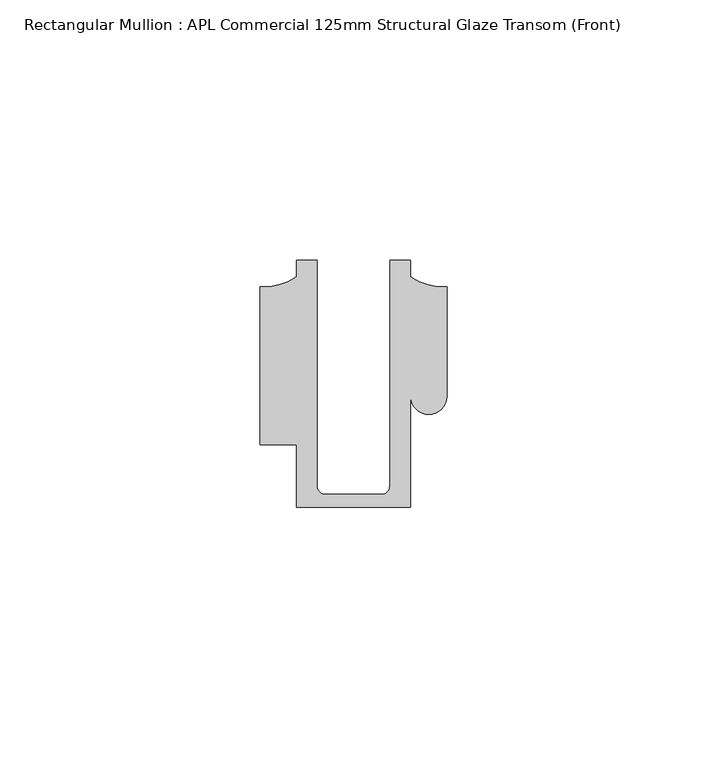
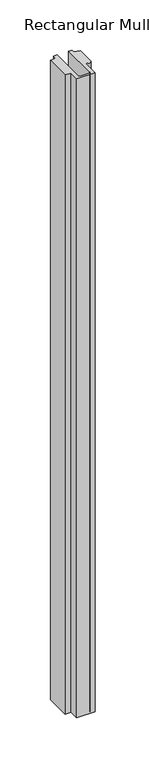
"""IFC4 building model written with IfcOpenShell, lengths in millimetres: member geometry, Rectangular Mullion : APL Commercial 125mm Structural Glaze Transom (Front)."""

import ifcopenshell
import ifcopenshell.guid

model = None  # the IFC model being written
_history = None  # IfcOwnerHistory: only IFC2X3 demands one
_inside = {}  # id of a spatial element -> (the spatial element, [elements in it])
_under = {}  # id of a project, library or spatial element -> (it, [spatial elements below it])
_declared = {}  # id of a project -> (the project, [libraries it declares])
_typed = {}  # id of a type object -> (the type object, [elements of that type])
_made_of = {}  # id of a material, layer set ... -> (it, [elements and type objects made of it])


def new_model(schema):
    """Start an empty IFC model of exactly this schema.

    Asked for "IFC4X3", IfcOpenShell would pick the latest addendum, in which some entities
    have other attributes; the version numbers below select the first issue.
    IFC2X3 requires an IfcOwnerHistory on every rooted entity: one is made here for all.
    """
    global model, _history
    if schema == "IFC4X3":
        model = ifcopenshell.file(schema_version=(4, 3, 0, 0))
    else:
        model = ifcopenshell.file(schema=schema)
    _inside.clear()
    _under.clear()
    _declared.clear()
    _typed.clear()
    _made_of.clear()
    _history = None
    if model.schema == "IFC2X3":
        org = make("IfcOrganization", Name="unknown")
        user = make(
            "IfcPersonAndOrganization",
            ThePerson=make("IfcPerson", FamilyName="unknown"),
            TheOrganization=org,
        )
        app = make(
            "IfcApplication",
            ApplicationDeveloper=org,
            Version="unknown",
            ApplicationFullName="unknown",
            ApplicationIdentifier="unknown",
        )
        _history = make(
            "IfcOwnerHistory",
            OwningUser=user,
            OwningApplication=app,
            ChangeAction="ADDED",
            CreationDate=0,
        )
    return model


def make(cls, **values):
    """One entity of the class cls with the attributes given. An attribute that is None is left unset."""
    return model.create_entity(
        cls, **{name: value for name, value in values.items() if value is not None}
    )


def rooted(cls, **values):
    """An entity with a GlobalId (a new one), such as an element, a storey or a relation."""
    return make(cls, GlobalId=ifcopenshell.guid.new(), OwnerHistory=_history, **values)


def si_unit(unit_type, name, prefix=None):
    """IfcSIUnit, for example si_unit("LENGTHUNIT", "METRE", prefix="MILLI")."""
    return make("IfcSIUnit", UnitType=unit_type, Prefix=prefix, Name=name)


def assignment(units):
    """IfcUnitAssignment: the units of a project."""
    return None if units is None else make("IfcUnitAssignment", Units=units)


def point(xyz):
    """IfcCartesianPoint."""
    return None if xyz is None else make("IfcCartesianPoint", Coordinates=xyz)


def direction(xyz):
    """IfcDirection."""
    return None if xyz is None else make("IfcDirection", DirectionRatios=xyz)


def frame(location, z_axis=None, x_axis=None):
    """IfcAxis2Placement3D, a coordinate frame: its origin and axes. An axis left out is left unset."""
    return make(
        "IfcAxis2Placement3D",
        Location=point(location),
        Axis=direction(z_axis),
        RefDirection=direction(x_axis),
    )


def origin():
    """The frame at (0, 0, 0) with its axes left unset."""
    return frame((0.0, 0.0, 0.0))


def place(relative_to, where):
    """IfcLocalPlacement: puts the frame where relative to a parent placement (None: the world)."""
    return make(
        "IfcLocalPlacement", PlacementRelTo=relative_to, RelativePlacement=where
    )


def context(
    kind, dimensions, precision=None, world=None, true_north=None, identifier=None
):
    """IfcGeometricRepresentationContext, for example the 3D "Model" context."""
    return make(
        "IfcGeometricRepresentationContext",
        ContextIdentifier=identifier,
        ContextType=kind,
        CoordinateSpaceDimension=dimensions,
        Precision=precision,
        WorldCoordinateSystem=world,
        TrueNorth=true_north,
    )


def project(units=None, contexts=None):
    """IfcProject with its units and contexts."""
    return rooted(
        "IfcProject",
        Name="project",
        RepresentationContexts=contexts,
        UnitsInContext=assignment(units),
    )


def spatial(cls, under=None, at=None, **own):
    """A site, building, storey or space (cls), placed at a placement, below another one or the project."""
    s = rooted(cls, ObjectPlacement=at, **own)
    if under is not None:
        _under.setdefault(under.id(), (under, []))[1].append(s)
    return s


def polyline(points):
    """IfcPolyline through the points."""
    return make("IfcPolyline", Points=[point(p) for p in points])


def circle_curve(where, radius):
    """IfcCircle in the frame where."""
    return make("IfcCircle", Position=where, Radius=radius)


def shape(context_of_items, identifier, shape_type, items):
    """IfcShapeRepresentation: the items that make up one representation, for example the "Body"."""
    return make(
        "IfcShapeRepresentation",
        ContextOfItems=context_of_items,
        RepresentationIdentifier=identifier,
        RepresentationType=shape_type,
        Items=items,
    )


def source(mapping_origin, context_of_items, identifier, shape_type, items):
    """IfcRepresentationMap: a shape defined once, which mapped items show again and again."""
    return make(
        "IfcRepresentationMap",
        MappingOrigin=mapping_origin,
        MappedRepresentation=shape(context_of_items, identifier, shape_type, items),
    )


def transform(
    local_origin,
    x_axis=None,
    y_axis=None,
    z_axis=None,
    scale=None,
    scale2=None,
    scale3=None,
    uniform=True,
):
    """IfcCartesianTransformationOperator3D, or its non-uniform kind. x_axis, y_axis, z_axis: its Axis1, 2, 3."""
    if uniform:
        return make(
            "IfcCartesianTransformationOperator3D",
            Axis1=direction(x_axis),
            Axis2=direction(y_axis),
            LocalOrigin=point(local_origin),
            Scale=scale,
            Axis3=direction(z_axis),
        )
    return make(
        "IfcCartesianTransformationOperator3DnonUniform",
        Axis1=direction(x_axis),
        Axis2=direction(y_axis),
        LocalOrigin=point(local_origin),
        Scale=scale,
        Axis3=direction(z_axis),
        Scale2=scale2,
        Scale3=scale3,
    )


def mapped(mapping_source, mapping_target):
    """IfcMappedItem: shows the shape of a source again, moved by a transform."""
    return make(
        "IfcMappedItem", MappingSource=mapping_source, MappingTarget=mapping_target
    )


def made_of(thing, what):
    """Note that an element or type object is made of a material, layer set ...; save() writes the relation."""
    if what is not None:
        _made_of.setdefault(what.id(), (what, []))[1].append(thing)
    return thing


def element(
    cls,
    number,
    at=None,
    inside=None,
    cuts=None,
    type_object=None,
    material=None,
    context=None,
    identifier="Body",
    shape_type=None,
    held_by="IfcProductDefinitionShape",
    body=None,
    shapes=None,
    **own,
):
    """One element of the class cls, such as IfcWall. Its Tag is "e" and its number.

    at: its placement. inside: the storey or other place that contains it. cuts: it is an
    opening in that element (IfcRelVoidsElement). A single representation is given by context,
    identifier, shape_type and body (its items); several are given by shapes. held_by: the class
    of the entity that holds the representations. save() writes the other relations.
    """
    e = rooted(cls, Tag="e%d" % number, ObjectPlacement=at, **own)
    if body is not None:
        shapes = [shape(context, identifier, shape_type, body)]
    if shapes is not None:
        e.Representation = make(held_by, Representations=shapes)
    if inside is not None:
        _inside.setdefault(inside.id(), (inside, []))[1].append(e)
    if cuts is not None:
        rooted(
            "IfcRelVoidsElement", RelatingBuildingElement=cuts, RelatedOpeningElement=e
        )
    if type_object is not None:
        _typed.setdefault(type_object.id(), (type_object, []))[1].append(e)
    return made_of(e, material)


def aggregate(whole, parts):
    """IfcRelAggregates: a whole, such as a stair, and the parts it consists of."""
    return rooted("IfcRelAggregates", RelatingObject=whole, RelatedObjects=parts)


def save(model, path):
    """Write the relations noted so far, then the file.

    IfcRelAggregates (storeys below a building ...), IfcRelContainedInSpatialStructure (elements
    in a storey), IfcRelDefinesByType, IfcRelAssociatesMaterial and IfcRelDeclares: one each for
    every whole, place, type object, material and project.
    """
    for whole, parts in _under.values():
        aggregate(whole, parts)
    for where, things in _inside.values():
        rooted(
            "IfcRelContainedInSpatialStructure",
            RelatedElements=things,
            RelatingStructure=where,
        )
    for kind, things in _typed.values():
        rooted("IfcRelDefinesByType", RelatedObjects=things, RelatingType=kind)
    for what, things in _made_of.values():
        rooted("IfcRelAssociatesMaterial", RelatedObjects=things, RelatingMaterial=what)
    for by, libraries in _declared.values():
        rooted("IfcRelDeclares", RelatingContext=by, RelatedDefinitions=libraries)
    model.write(path)


def plane_surface(at):
    """IfcPlane: the flat surface through the origin of the frame at, square to its z axis."""
    return make("IfcPlane", Position=at)


def cylinder_surface(at, radius):
    """IfcCylindricalSurface: all points at the distance radius from the z axis of the frame at."""
    return make("IfcCylindricalSurface", Position=at, Radius=radius)


def revolved_surface(curve, axis_point, axis_direction):
    """IfcSurfaceOfRevolution: the curve turned about the line through axis_point along axis_direction."""
    return make(
        "IfcSurfaceOfRevolution",
        SweptCurve=make("IfcArbitraryOpenProfileDef", ProfileType="CURVE", Curve=curve),
        AxisPosition=make("IfcAxis1Placement", Location=point(axis_point), Axis=direction(axis_direction)),
    )


def advanced_brep(points, edges, surfaces, faces):
    """IfcAdvancedBrep: a solid bounded by faces that lie on surfaces and meet in shared edges.

    An edge is (start, end): straight between two places in points (the first is 0);
    or (start, end, curve); or (start, end, curve, False) where it runs against its curve.
    A face is (place in surfaces, loops), or (place, loops, False) where it looks against
    its surface's normal. A loop lists edges by number (the first is 1), with a minus sign
    where the edge is run from its end to its start. The first loop is the outer one.
    """
    corners = [point(p) for p in points]
    vertices = [make("IfcVertexPoint", VertexGeometry=c) for c in corners]
    made = []
    for start, end, *more in edges:
        made.append(
            make(
                "IfcEdgeCurve",
                EdgeStart=vertices[start],
                EdgeEnd=vertices[end],
                EdgeGeometry=more[0] if more else make("IfcPolyline", Points=[corners[start], corners[end]]),
                SameSense=more[1] if len(more) > 1 else True,
            )
        )
    hull = []
    for where, loops, *sense in faces:
        bounds = []
        for j, loop in enumerate(loops):
            ring = [make("IfcOrientedEdge", EdgeElement=made[abs(k) - 1], Orientation=k > 0) for k in loop]
            bounds.append(
                make(
                    "IfcFaceOuterBound" if j == 0 else "IfcFaceBound",
                    Bound=make("IfcEdgeLoop", EdgeList=ring),
                    Orientation=True,
                )
            )
        hull.append(make("IfcAdvancedFace", Bounds=bounds, FaceSurface=surfaces[where], SameSense=sense[0] if sense else True))
    return make("IfcAdvancedBrep", Outer=make("IfcClosedShell", CfsFaces=hull))


def rectangular_mullion_apl_commercial_125mm_structural_glaze_b7fd746c(model_context):
    return source(origin(), model_context, "Body", "AdvancedBrep", [
        advanced_brep(
        [(-11.0000151, -27.0, 0.0), (11.001071, -27.0, 0.0), (11.001071, -5.5848769, 0.0), (17.9999091, -5.6750512, 0.0), (17.9999542, 15.3797475, 0.0), (11.0000151, 17.3125212, 0.0), (11.0000151, 20.5, 0.0), (6.9999849, 20.5, 0.0), (6.9999849, -22.9973451, 0.0), (5.4999872, -24.5, 0.0), (-5.4999873, -24.5, 0.0), (-6.9999853, -22.9976091, 0.0), (-6.9999853, 20.5, 0.0), (-10.9999994, 20.5, 0.0), (-10.9999994, 17.3125325, 0.0), (-17.9999542, 15.3797475, 0.0), (-17.9999542, -15.0006281, 0.0), (-11.0000151, -15.0006281, 0.0), (-11.0000151, -27.0, -811.086125), (-11.0000151, -15.0006281, -811.086125), (-17.9999542, -15.0006281, -811.086125), (-17.9999542, 15.3797475, -811.086125), (-10.9999994, 17.3125325, -811.086125), (-10.9999994, 20.5, -811.086125), (-6.9999853, 20.5, -811.086125), (-6.9999853, -22.9976091, -811.086125), (-5.4999873, -24.5, -811.086125), (5.4999872, -24.5, -811.086125), (6.9999849, -22.9973451, -811.086125), (6.9999849, 20.5, -811.086125), (11.0000151, 20.5, -811.086125), (11.0000151, 17.3125212, -811.086125), (17.9999542, 15.3797475, -811.086125), (17.9999542, -5.684606, -811.086125), (11.001071, -5.5848769, -811.086125), (11.001071, -27.0, -811.086125)],
        [
            (0, 1),
            (1, 2),
            (2, 3, circle_curve(frame((14.4999091, -5.6750512, 0.0), z_axis=(0.0, 0.0, 1.0), x_axis=(-0.9999826028573957, 0.005898642432633649, 0.0)), 3.5)),
            (3, 4),
            (4, 5, circle_curve(frame((17.109817, 25.7981812, 0.0), z_axis=(0.0, 0.0, -1.0), x_axis=(0.0, -1.0, 0.0)), 10.4563907)),
            (5, 6),
            (6, 7),
            (7, 8),
            (8, 9, circle_curve(frame((5.4999872, -23.0, 0.0), z_axis=(0.0, 0.0, -1.0), x_axis=(0.9999999999999986, 5.463622857820516e-08, 0.0)), 1.5)),
            (9, 10),
            (10, 11, circle_curve(frame((-5.4999873, -23.0, 0.0), z_axis=(0.0, 0.0, -1.0), x_axis=(2.7320010112268853e-08, -0.9999999999999997, 0.0)), 1.5)),
            (11, 12),
            (12, 13),
            (13, 14),
            (14, 15, circle_curve(frame((-17.109817, 25.7981812, 0.0), z_axis=(0.0, 0.0, -1.0), x_axis=(0.0, -1.0, 0.0)), 10.4563907)),
            (15, 16),
            (16, 17),
            (17, 0),
            (18, 19),
            (19, 20),
            (20, 21),
            (21, 22, circle_curve(frame((-17.109817, 25.7981812, -811.086125), z_axis=(0.0, 0.0, 1.0), x_axis=(0.0, -1.0, 0.0)), 10.4563907)),
            (22, 23),
            (23, 24),
            (24, 25),
            (25, 26, circle_curve(frame((-5.4999873, -23.0, -811.086125), z_axis=(0.0, 0.0, 1.0), x_axis=(2.7320010112268853e-08, -0.9999999999999997, 0.0)), 1.5)),
            (26, 27),
            (27, 28, circle_curve(frame((5.4999872, -23.0, -811.086125), z_axis=(0.0, 0.0, 1.0), x_axis=(0.9999999999999986, 5.463622857820516e-08, 0.0)), 1.5)),
            (28, 29),
            (29, 30),
            (30, 31),
            (31, 32, circle_curve(frame((17.109817, 25.7981812, -811.086125), z_axis=(0.0, 0.0, 1.0), x_axis=(0.0, -1.0, 0.0)), 10.4563907)),
            (32, 33),
            (33, 34, circle_curve(frame((14.4999091, -5.6750512, -811.086125), z_axis=(0.0, 0.0, -1.0), x_axis=(-0.9999826028573957, 0.005898642432633649, 0.0)), 3.5)),
            (34, 35),
            (35, 18),
            (0, 18),
            (35, 1),
            (34, 2),
            (33, 3),
            (32, 4),
            (31, 5),
            (30, 6),
            (29, 7),
            (28, 8),
            (27, 9),
            (26, 10),
            (25, 11),
            (24, 12),
            (23, 13),
            (22, 14),
            (21, 15),
            (20, 16),
            (19, 17),
        ],
        [
            plane_surface(frame((0.0, -29.1551636, 0.0), z_axis=(0.0, 0.0, 1.0), x_axis=(-1.0, 0.0, 0.0))),
            plane_surface(frame((0.0, -29.1551636, -811.086125), z_axis=(0.0, 0.0, -1.0), x_axis=(-1.0, 0.0, 0.0))),
            plane_surface(frame((-11.0000151, -27.0, 0.0), z_axis=(0.0, -1.0, 0.0), x_axis=(0.0, 0.0, -1.0))),
            plane_surface(frame((11.001071, -27.0, 0.0), z_axis=(1.0, 0.0, 0.0), x_axis=(0.0, 0.0, -1.0))),
            cylinder_surface(frame((14.4999091, -5.6750512, 0.0), z_axis=(0.0, 0.0, 1.0), x_axis=(-0.9999826028573957, 0.005898642432633649, 0.0)), 3.5),
            plane_surface(frame((17.9999542, -5.684606, 0.0), z_axis=(1.0, 0.0, 0.0), x_axis=(0.0, 0.0, -1.0))),
            revolved_surface(polyline([(17.109817, 15.341790499999998, -811.086125), (17.109817, 15.341790499999998, 0.0)]), (17.109817, 25.7981812, 0.0), (0.0, 0.0, -1.0)),
            plane_surface(frame((11.0000151, 17.3125212, 0.0), z_axis=(1.0, 0.0, 0.0), x_axis=(0.0, 0.0, -1.0))),
            plane_surface(frame((11.0000151, 20.5, 0.0), z_axis=(0.0, 1.0, 0.0), x_axis=(0.0, 0.0, -1.0))),
            plane_surface(frame((6.9999849, 20.5, 0.0), z_axis=(-1.0, 0.0, 0.0), x_axis=(0.0, 0.0, -1.0))),
            revolved_surface(polyline([(6.999987199999998, -22.999999918045656, -811.086125), (6.999987199999998, -22.999999918045656, 0.0)]), (5.4999872, -23.0, 0.0), (0.0, 0.0, -1.0)),
            plane_surface(frame((5.4999872, -24.5, 0.0), z_axis=(0.0, 1.0, 0.0), x_axis=(0.0, 0.0, -1.0))),
            revolved_surface(polyline([(-5.499987259019985, -24.5, -811.086125), (-5.499987259019985, -24.5, 0.0)]), (-5.4999873, -23.0, 0.0), (0.0, 0.0, -1.0)),
            plane_surface(frame((-6.9999853, -22.9976091, 0.0), z_axis=(1.0, 0.0, 0.0), x_axis=(0.0, 0.0, -1.0))),
            plane_surface(frame((-6.9999853, 20.5, 0.0), z_axis=(0.0, 1.0, 0.0), x_axis=(0.0, 0.0, -1.0))),
            plane_surface(frame((-10.9999994, 20.5, 0.0), z_axis=(-1.0, 0.0, 0.0), x_axis=(0.0, 0.0, -1.0))),
            revolved_surface(polyline([(-17.109817, 15.341790499999998, -811.086125), (-17.109817, 15.341790499999998, 0.0)]), (-17.109817, 25.7981812, 0.0), (0.0, 0.0, -1.0)),
            plane_surface(frame((-17.9999542, 15.3797475, 0.0), z_axis=(-1.0, 0.0, 0.0), x_axis=(0.0, 0.0, -1.0))),
            plane_surface(frame((-17.9999542, -15.0006281, 0.0), z_axis=(0.0, -1.0, 0.0), x_axis=(0.0, 0.0, -1.0))),
            plane_surface(frame((-11.0000151, -15.0006281, 0.0), z_axis=(-1.0, 0.0, 0.0), x_axis=(0.0, 0.0, -1.0))),
        ],
        [
            (0, [[1, 2, 3, 4, 5, 6, 7, 8, 9, 10, 11, 12, 13, 14, 15, 16, 17, 18]]),
            (1, [[19, 20, 21, 22, 23, 24, 25, 26, 27, 28, 29, 30, 31, 32, 33, 34, 35, 36]]),
            (2, [[-1, 37, -36, 38]]),
            (3, [[-2, -38, -35, 39]]),
            (4, [[-3, -39, -34, 40]]),
            (5, [[-4, -40, -33, 41]]),
            (6, [[-5, -41, -32, 42]]),
            (7, [[-6, -42, -31, 43]]),
            (8, [[-7, -43, -30, 44]]),
            (9, [[-8, -44, -29, 45]]),
            (10, [[-9, -45, -28, 46]]),
            (11, [[-10, -46, -27, 47]]),
            (12, [[-11, -47, -26, 48]]),
            (13, [[-12, -48, -25, 49]]),
            (14, [[-13, -49, -24, 50]]),
            (15, [[-14, -50, -23, 51]]),
            (16, [[-15, -51, -22, 52]]),
            (17, [[-16, -52, -21, 53]]),
            (18, [[-17, -53, -20, 54]]),
            (19, [[-18, -54, -19, -37]]),
        ],
    ),
    ])


if __name__ == "__main__":
    model = new_model("IFC4")
    model_context = context("Model", 3, world=origin())
    ifc_project = project(units=[si_unit("LENGTHUNIT", "METRE", prefix="MILLI")], contexts=[model_context])
    site = spatial("IfcSite", under=ifc_project)
    building = spatial("IfcBuilding", under=site)
    placement = place(None, origin())
    rectangular_mullion_apl_commercial_125mm_structural_glaze_shape = rectangular_mullion_apl_commercial_125mm_structural_glaze_b7fd746c(model_context)
    element("IfcMember", 1, ObjectType="Rectangular Mullion : APL Commercial 125mm Structural Glaze Transom (Front)", at=placement, inside=building, context=model_context, shape_type="MappedRepresentation", body=[
        mapped(rectangular_mullion_apl_commercial_125mm_structural_glaze_shape, transform((0.0, 0.0, 0.0), x_axis=(1.0, 0.0, 0.0), y_axis=(0.0, 1.0, 0.0), z_axis=(0.0, 0.0, 1.0))),
    ])
    save(model, "model.ifc")
